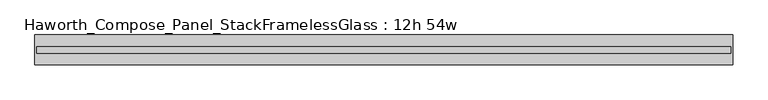
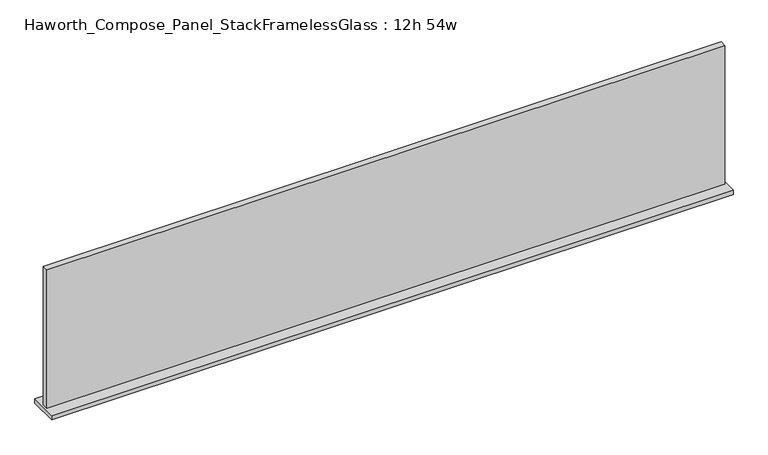
"""IFC4 building model written with IfcOpenShell, lengths in millimetres: furniture geometry, Haworth_Compose_Panel_StackFramelessGlass : 12h 54w."""

from ifc_helpers import new_model, si_unit, frame, origin, place, context, project, spatial, polyline, outline, extrude, source, transform, mapped, element, save


def haworth_compose_panel_stackframelessglass_12h_54w_ae6030c2(model_context):
    return source(origin(), model_context, "Body", "SweptSolid", [
        extrude(outline(polyline([(685.0652902, -27.3093594), (-680.1847098, -27.3093594), (-680.1847098, -14.6093594), (685.0652902, -14.6093594), (685.0652902, -27.3093594)])), frame((0.0, 0.0, 1279.525), z_axis=(0.0, 0.0, 1.0), x_axis=(1.0, 0.0, 0.0)), (0.0, 0.0, 1.0), 295.275),
        extrude(outline(polyline([(-683.3597098, -50.3281094), (-683.3597098, 8.4093906), (688.2402902, 8.4093906), (688.2402902, -50.3281094), (-683.3597098, -50.3281094)])), frame((0.0, 0.0, 1270.0), z_axis=(0.0, 0.0, 1.0), x_axis=(1.0, 0.0, 0.0)), (0.0, 0.0, 1.0), 9.525),
    ])


if __name__ == "__main__":
    model = new_model("IFC4")
    model_context = context("Model", 3, world=origin())
    ifc_project = project(units=[si_unit("LENGTHUNIT", "METRE", prefix="MILLI")], contexts=[model_context])
    site = spatial("IfcSite", under=ifc_project)
    building = spatial("IfcBuilding", under=site)
    placement = place(None, origin())
    haworth_compose_panel_stackframelessglass_12h_54w_shape = haworth_compose_panel_stackframelessglass_12h_54w_ae6030c2(model_context)
    element("IfcFurniture", 1, ObjectType="Haworth_Compose_Panel_StackFramelessGlass : 12h 54w", at=placement, inside=building, context=model_context, shape_type="MappedRepresentation", body=[
        mapped(haworth_compose_panel_stackframelessglass_12h_54w_shape, transform((0.0, 0.0, 0.0), x_axis=(1.0, 0.0, 0.0), y_axis=(0.0, 1.0, 0.0), z_axis=(0.0, 0.0, 1.0))),
    ])
    save(model, "model.ifc")
